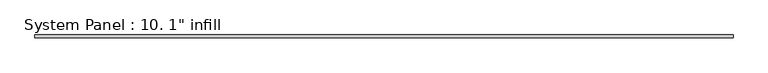
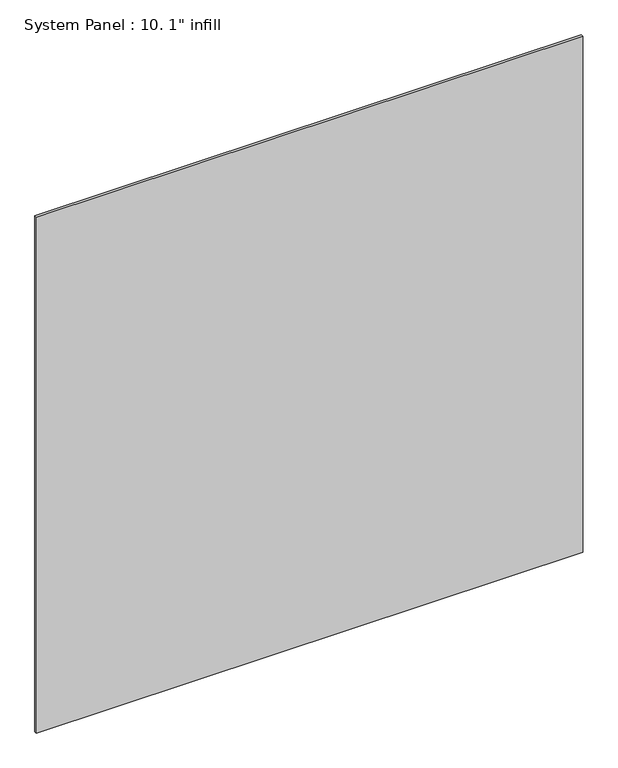
"""IFC4 building model written with IfcOpenShell, lengths in millimetres: plate geometry."""

from ifc_helpers import new_model, si_unit, origin, origin_with_axes, place, context, project, spatial, polyline, outline, extrude, source, transform, mapped, element, save


def plate_5e1db7e1(model_context):
    return source(origin(), model_context, "Body", "SweptSolid", [
        extrude(outline(polyline([(3019.424729, -12.7), (-3019.424729, -12.7), (-3019.424729, 12.7), (3019.424729, 12.7), (3019.424729, -12.7)])), origin_with_axes(), (0.0, 0.0, 1.0), 6026.5944945),
    ])


if __name__ == "__main__":
    model = new_model("IFC4")
    model_context = context("Model", 3, world=origin())
    ifc_project = project(units=[si_unit("LENGTHUNIT", "METRE", prefix="MILLI")], contexts=[model_context])
    site = spatial("IfcSite", under=ifc_project)
    building = spatial("IfcBuilding", under=site)
    placement = place(None, origin())
    plate_shape = plate_5e1db7e1(model_context)
    element("IfcPlate", 1, ObjectType="System Panel : 10. 1\" infill", at=placement, inside=building, context=model_context, shape_type="MappedRepresentation", body=[
        mapped(plate_shape, transform((0.0, 0.0, 0.0), x_axis=(1.0, 0.0, 0.0), y_axis=(0.0, 1.0, 0.0), z_axis=(0.0, 0.0, 1.0))),
    ])
    save(model, "model.ifc")
